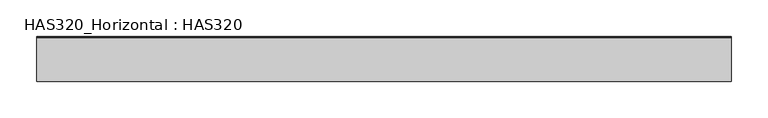
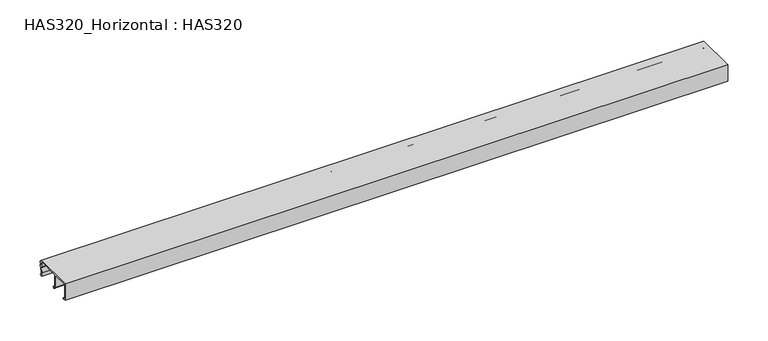
"""IFC4 building model written with IfcOpenShell, lengths in millimetres: beam geometry, HAS320_Horizontal : HAS320."""

from ifc_helpers import new_model, si_unit, point, frame, frame_2d, origin, place, context, project, spatial, polyline, circle_curve, trimmed, segment, composite_curve, outline, extrude, source, transform, mapped, element, save


def has320_horizontal_has320_1595566b(model_context):
    return source(origin(), model_context, "Body", "SweptSolid", [
        extrude(outline(composite_curve([segment(polyline([(28.3456592, 23.7684887), (-4.3649518, 23.7684887), (-4.3649518, 7.2002756), (-0.6136751, 3.7169472), (-1.818328, 1.9099678)]), True, "CONTINUOUS"), segment(trimmed(circle_curve(frame_2d((-2.2799035, 2.2176849)), 0.5547448), [point((-1.818328, 1.9099678))], [point((-2.5876206, 2.6792605))], False, "CARTESIAN"), True, "CONTINUOUS"), segment(polyline([(-2.5876206, 2.6792605), (-2.0305466, 3.607717), (-3.7282958, 5.3054662), (-5.426045, 5.0629306), (-5.426045, 23.7684887), (-28.3456592, 23.7684887), (-28.3456592, 1.2733119), (-25.1623794, 1.2733119), (-24.5257235, 0.6366559), (-25.1623794, 0.0), (-29.6189711, 0.0), (-29.6189711, 25.0418006), (29.6189711, 25.0418006), (29.6189711, 22.7073955), (31.4368175, 22.7073955)]), True, "CONTINUOUS"), segment(trimmed(circle_curve(frame_2d((31.4368175, 22.1908368)), 0.5165587), [point((31.4368175, 22.7073955))], [point((31.9533762, 22.1908368))], False, "CARTESIAN"), True, "CONTINUOUS"), segment(polyline([(31.9533762, 22.1908368), (31.9533762, 20.6340836)]), True, "CONTINUOUS"), segment(trimmed(circle_curve(frame_2d((31.4228296, 20.6340836)), 0.5305466), [point((31.9533762, 20.6340836))], [point((30.892283, 20.6340836))], False, "CARTESIAN"), True, "CONTINUOUS"), segment(polyline([(30.892283, 20.6340836), (30.892283, 21.4340836), (29.4067524, 21.4340836), (29.4067524, 15.9163987), (30.892283, 15.9163987), (30.892283, 16.7452281)]), True, "CONTINUOUS"), segment(trimmed(circle_curve(frame_2d((31.4228296, 16.7452281)), 0.5305466), [point((30.892283, 16.7452281))], [point((31.9533762, 16.7452281))], False, "CARTESIAN"), True, "CONTINUOUS"), segment(polyline([(31.9533762, 16.7452281), (31.9533762, 15.1561057)]), True, "CONTINUOUS"), segment(trimmed(circle_curve(frame_2d((31.4403573, 15.1561057)), 0.5130189), [point((31.9533762, 15.1561057))], [point((31.4403573, 14.6430868))], False, "CARTESIAN"), True, "CONTINUOUS"), segment(polyline([(31.4403573, 14.6430868), (30.4678457, 14.6430868), (28.9823151, 6.5787781), (29.4067524, 2.9710611), (30.892283, 2.9710611), (31.5289389, 2.3344051), (30.892283, 1.6977492), (28.3842444, 1.6977492), (27.9212219, 6.7909968), (29.1945338, 14.6430868)]), True, "CONTINUOUS"), segment(trimmed(circle_curve(frame_2d((29.1945338, 15.4919614)), 0.8488746), [point((29.1945338, 14.6430868))], [point((28.3456592, 15.4919614))], False, "CARTESIAN"), True, "CONTINUOUS"), segment(polyline([(28.3456592, 15.4919614), (28.3456592, 23.7684887)]), True, "CONTINUOUS")], self_intersect=False)), frame((-474.9581994, 0.0, 0.0), z_axis=(1.0, 0.0, 0.0), x_axis=(0.0, 1.0, 0.0)), (0.0, 0.0, 1.0), 949.9163987),
    ])


if __name__ == "__main__":
    model = new_model("IFC4")
    model_context = context("Model", 3, world=origin())
    ifc_project = project(units=[si_unit("LENGTHUNIT", "METRE", prefix="MILLI")], contexts=[model_context])
    site = spatial("IfcSite", under=ifc_project)
    building = spatial("IfcBuilding", under=site)
    placement = place(None, origin())
    has320_horizontal_has320_shape = has320_horizontal_has320_1595566b(model_context)
    element("IfcBeam", 1, ObjectType="HAS320_Horizontal : HAS320", at=placement, inside=building, context=model_context, shape_type="MappedRepresentation", body=[
        mapped(has320_horizontal_has320_shape, transform((0.0, 0.0, 0.0), x_axis=(1.0, 0.0, 0.0), y_axis=(0.0, 1.0, 0.0), z_axis=(0.0, 0.0, 1.0))),
    ])
    save(model, "model.ifc")
